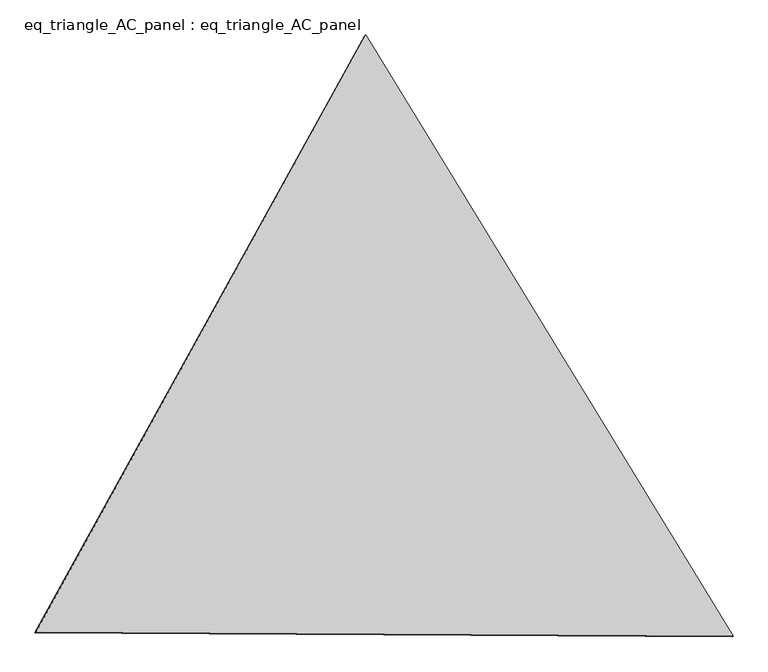
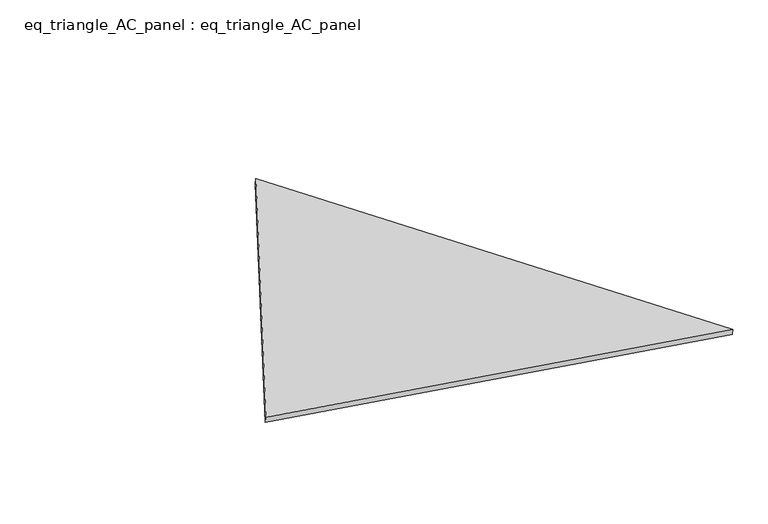
"""IFC4 building model written with IfcOpenShell, lengths in millimetres: proxy geometry, eq_triangle_AC_panel : eq_triangle_AC_panel."""

from ifc_helpers import new_model, si_unit, frame, origin, place, context, project, spatial, polyline, outline, extrude, source, transform, mapped, element, save


def eq_triangle_ac_panel_eq_triangle_ac_panel_6370de27(model_context):
    return source(origin(), model_context, "Body", "SweptSolid", [
        extrude(outline(polyline([(-2032.8306629, 1173.1700195), (2091.2842302, 1173.1700195), (-58.4535674, -2346.3400392), (-2032.8306629, 1173.1700195)])), frame((-6.3631761, 524.2531996, 46.6143561), z_axis=(0.1452632851805807, 0.0838657028180226, 0.9858321976225897), x_axis=(0.5211103640698251, -0.8534790669542757, -0.004179800219325216)), (0.0, 0.0, 1.0), 43.8306294),
    ])


if __name__ == "__main__":
    model = new_model("IFC4")
    model_context = context("Model", 3, world=origin())
    ifc_project = project(units=[si_unit("LENGTHUNIT", "METRE", prefix="MILLI")], contexts=[model_context])
    site = spatial("IfcSite", under=ifc_project)
    building = spatial("IfcBuilding", under=site)
    placement = place(None, origin())
    eq_triangle_ac_panel_eq_triangle_ac_panel_shape = eq_triangle_ac_panel_eq_triangle_ac_panel_6370de27(model_context)
    element("IfcBuildingElementProxy", 1, Name="eq_triangle_AC_panel : eq_triangle_AC_panel", ObjectType="eq_triangle_AC_panel : eq_triangle_AC_panel", at=placement, inside=building, context=model_context, shape_type="MappedRepresentation", body=[
        mapped(eq_triangle_ac_panel_eq_triangle_ac_panel_shape, transform((0.0, 0.0, 0.0), x_axis=(1.0, 0.0, 0.0), y_axis=(0.0, 1.0, 0.0), z_axis=(0.0, 0.0, 1.0))),
    ])
    save(model, "model.ifc")
